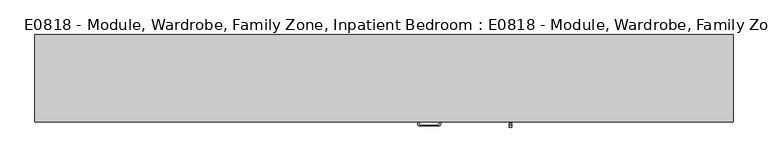
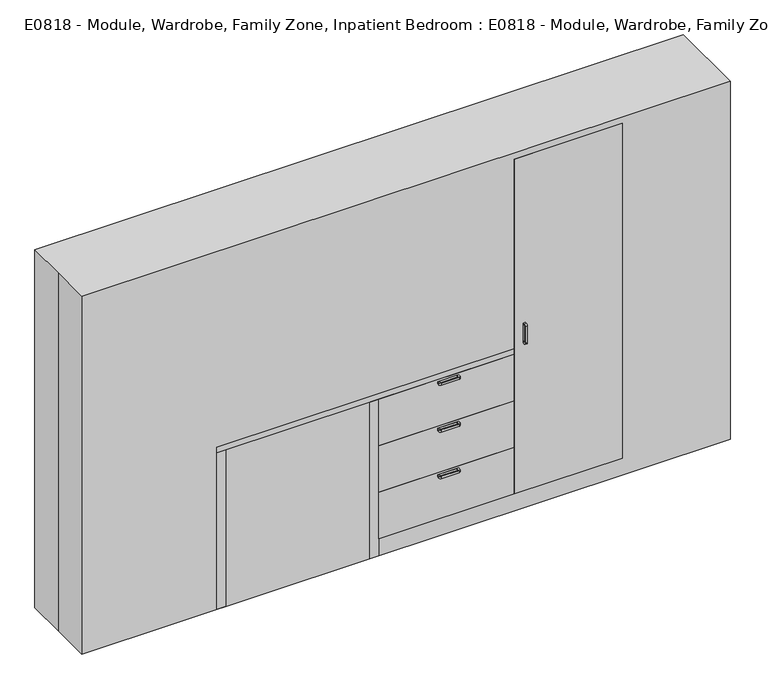
"""IFC4 building model written with IfcOpenShell, lengths in millimetres: proxy geometry, E0818 - Module, Wardrobe, Family Zone, Inpatient Bedroom : E0818 - Module, Wardrobe, Family Zone, Inpatient Bedroom."""

from ifc_helpers import new_model, si_unit, point, frame, frame_2d, origin, origin_with_axes, place, context, project, spatial, polyline, circle_curve, trimmed, segment, composite_curve, outline, extrude, source, transform, mapped, element, save


def e0818_module_wardrobe_family_zone_inpatient_bedroom_e0818_1e1a38e2(model_context):
    return source(origin(), model_context, "Body", "SweptSolid", [
        extrude(outline(composite_curve([segment(polyline([(-247.2941975, 1107.7357832), (-235.4978567, 1107.7357832), (-235.4978567, 989.2425662), (-247.2987514, 989.2425662)]), True, "CONTINUOUS"), segment(trimmed(circle_curve(frame_2d((-247.2987514, 998.2847417)), 9.0421756), [point((-247.2987514, 989.2425662))], [point((-256.3409269, 998.2847417))], False, "CARTESIAN"), True, "CONTINUOUS"), segment(polyline([(-256.3409269, 998.2847417), (-256.3409269, 1098.6890537)]), True, "CONTINUOUS"), segment(trimmed(circle_curve(frame_2d((-247.2941975, 1098.6890537)), 9.0467295), [point((-256.3409269, 1098.6890537))], [point((-247.2941975, 1107.7357832))], False, "CARTESIAN"), True, "CONTINUOUS")], self_intersect=False), holes=[composite_curve([segment(trimmed(circle_curve(frame_2d((-245.0473372, 1093.1778935)), 4.4901281), [point((-245.0473372, 1097.6680216))], [point((-249.5374653, 1093.1778935))], True, "CARTESIAN"), True, "CONTINUOUS"), segment(polyline([(-249.5374653, 1093.1778935), (-249.5374653, 1002.2738556)]), True, "CONTINUOUS"), segment(trimmed(circle_curve(frame_2d((-245.3639528, 1003.7240678)), 4.418294), [point((-249.5374653, 1002.2738556))], [point((-245.3639528, 999.3057739))], True, "CARTESIAN"), True, "CONTINUOUS"), segment(polyline([(-245.3639528, 999.3057739), (-236.3960853, 999.3057739), (-236.3960853, 1097.6680216), (-245.0473372, 1097.6680216)]), True, "CONTINUOUS")], self_intersect=False)]), frame((656.2541476, 0.0, 0.0), z_axis=(1.0, 0.0, 0.0), x_axis=(0.0, 1.0, 0.0)), (0.0, 0.0, 1.0), 12.2584805),
        extrude(outline(polyline([(1219.2141172, -228.6), (609.6141172, -228.6), (609.6141172, 186.8041189), (1219.2141172, 186.8041189), (1219.2141172, -228.6)])), frame((0.0, 0.0, 101.5287116), z_axis=(0.0, 0.0, 1.0), x_axis=(1.0, 0.0, 0.0)), (0.0, 0.0, 1.0), 1994.9672165),
        extrude(outline(composite_curve([segment(polyline([(177.6464018, -241.3553945), (177.6464018, -229.5590537), (296.1396188, -229.5590537), (296.1396188, -241.3599484)]), True, "CONTINUOUS"), segment(trimmed(circle_curve(frame_2d((287.0974432, -241.3599484)), 9.0421756), [point((296.1396188, -241.3599484))], [point((287.0974432, -250.4021239))], False, "CARTESIAN"), True, "CONTINUOUS"), segment(polyline([(287.0974432, -250.4021239), (186.6931313, -250.4021239)]), True, "CONTINUOUS"), segment(trimmed(circle_curve(frame_2d((186.6931313, -241.3553945)), 9.0467295), [point((186.6931313, -250.4021239))], [point((177.6464018, -241.3553945))], False, "CARTESIAN"), True, "CONTINUOUS")], self_intersect=False), holes=[composite_curve([segment(trimmed(circle_curve(frame_2d((192.3926076, -239.1085342)), 4.4901281), [point((187.9024795, -239.1085342))], [point((192.3926076, -243.5986623))], True, "CARTESIAN"), True, "CONTINUOUS"), segment(polyline([(192.3926076, -243.5986623), (283.2966455, -243.5986623)]), True, "CONTINUOUS"), segment(trimmed(circle_curve(frame_2d((281.8464333, -239.4251498)), 4.418294), [point((283.2966455, -243.5986623))], [point((286.2647272, -239.4251498))], True, "CARTESIAN"), True, "CONTINUOUS"), segment(polyline([(286.2647272, -239.4251498), (286.2647272, -230.4572823), (187.9024795, -230.4572823), (187.9024795, -239.1085342)]), True, "CONTINUOUS")], self_intersect=False)]), frame((0.0, 0.0, 910.0040116), z_axis=(0.0, 0.0, 1.0), x_axis=(1.0, 0.0, 0.0)), (0.0, 0.0, 1.0), 12.4081513),
        extrude(outline(composite_curve([segment(polyline([(177.6464018, -241.3553945), (177.6464018, -229.5590537), (296.1396188, -229.5590537), (296.1396188, -241.3599484)]), True, "CONTINUOUS"), segment(trimmed(circle_curve(frame_2d((287.0974432, -241.3599484)), 9.0421756), [point((296.1396188, -241.3599484))], [point((287.0974432, -250.4021239))], False, "CARTESIAN"), True, "CONTINUOUS"), segment(polyline([(287.0974432, -250.4021239), (186.6931313, -250.4021239)]), True, "CONTINUOUS"), segment(trimmed(circle_curve(frame_2d((186.6931313, -241.3553945)), 9.0467295), [point((186.6931313, -250.4021239))], [point((177.6464018, -241.3553945))], False, "CARTESIAN"), True, "CONTINUOUS")], self_intersect=False), holes=[composite_curve([segment(trimmed(circle_curve(frame_2d((192.3926076, -239.1085342)), 4.4901281), [point((187.9024795, -239.1085342))], [point((192.3926076, -243.5986623))], True, "CARTESIAN"), True, "CONTINUOUS"), segment(polyline([(192.3926076, -243.5986623), (283.2966455, -243.5986623)]), True, "CONTINUOUS"), segment(trimmed(circle_curve(frame_2d((281.8464333, -239.4251498)), 4.418294), [point((283.2966455, -243.5986623))], [point((286.2647272, -239.4251498))], True, "CARTESIAN"), True, "CONTINUOUS"), segment(polyline([(286.2647272, -239.4251498), (286.2647272, -230.4572823), (187.9024795, -230.4572823), (187.9024795, -239.1085342)]), True, "CONTINUOUS")], self_intersect=False)]), frame((0.0, 0.0, 630.2566007), z_axis=(0.0, 0.0, 1.0), x_axis=(1.0, 0.0, 0.0)), (0.0, 0.0, 1.0), 13.536165),
        extrude(outline(composite_curve([segment(polyline([(177.6464018, -241.3553945), (177.6464018, -229.5590537), (296.1396188, -229.5590537), (296.1396188, -241.3599484)]), True, "CONTINUOUS"), segment(trimmed(circle_curve(frame_2d((287.0974432, -241.3599484)), 9.0421756), [point((296.1396188, -241.3599484))], [point((287.0974432, -250.4021239))], False, "CARTESIAN"), True, "CONTINUOUS"), segment(polyline([(287.0974432, -250.4021239), (186.6931313, -250.4021239)]), True, "CONTINUOUS"), segment(trimmed(circle_curve(frame_2d((186.6931313, -241.3553945)), 9.0467295), [point((186.6931313, -250.4021239))], [point((177.6464018, -241.3553945))], False, "CARTESIAN"), True, "CONTINUOUS")], self_intersect=False), holes=[composite_curve([segment(trimmed(circle_curve(frame_2d((192.3926076, -239.1085342)), 4.4901281), [point((187.9024795, -239.1085342))], [point((192.3926076, -243.5986623))], True, "CARTESIAN"), True, "CONTINUOUS"), segment(polyline([(192.3926076, -243.5986623), (283.2966455, -243.5986623)]), True, "CONTINUOUS"), segment(trimmed(circle_curve(frame_2d((281.8464333, -239.4251498)), 4.418294), [point((283.2966455, -243.5986623))], [point((286.2647272, -239.4251498))], True, "CARTESIAN"), True, "CONTINUOUS"), segment(polyline([(286.2647272, -239.4251498), (286.2647272, -230.4572823), (187.9024795, -230.4572823), (187.9024795, -239.1085342)]), True, "CONTINUOUS")], self_intersect=False)]), frame((0.0, 0.0, 353.9564428), z_axis=(0.0, 0.0, 1.0), x_axis=(1.0, 0.0, 0.0)), (0.0, 0.0, 1.0), 12.2584805),
        extrude(outline(polyline([(609.6141172, -228.6), (-152.3858828, -228.6), (-152.3858828, 186.8041189), (609.6141172, 186.8041189), (609.6141172, -228.6)])), frame((0.0, 0.0, 656.1191064), z_axis=(0.0, 0.0, 1.0), x_axis=(1.0, 0.0, 0.0)), (0.0, 0.0, 1.0), 277.2951974),
        extrude(outline(polyline([(609.6141172, -228.6), (-152.3858828, -228.6), (-152.3858828, 186.8041189), (609.6141172, 186.8041189), (609.6141172, -228.6)])), frame((0.0, 0.0, 378.823909), z_axis=(0.0, 0.0, 1.0), x_axis=(1.0, 0.0, 0.0)), (0.0, 0.0, 1.0), 277.2951974),
        extrude(outline(polyline([(609.6141172, -228.6), (-152.3858828, -228.6), (-152.3858828, 186.8041189), (609.6141172, 186.8041189), (609.6141172, -228.6)])), frame((0.0, 0.0, 101.5287116), z_axis=(0.0, 0.0, 1.0), x_axis=(1.0, 0.0, 0.0)), (0.0, 0.0, 1.0), 277.2951974),
        extrude(outline(polyline([(1219.2141172, 186.8041189), (1219.2141172, -217.2302914), (-152.3858828, -217.2302914), (-152.3858828, 186.8041189), (1219.2141172, 186.8041189)])), origin_with_axes(), (0.0, 0.0, 1.0), 101.5287116),
        extrude(outline(polyline([(-152.3858828, -228.6), (-203.1858828, -228.6), (-203.1858828, 186.8041189), (-152.3858828, 186.8041189), (-152.3858828, -228.6)])), origin_with_axes(), (0.0, 0.0, 1.0), 933.4143038),
        extrude(outline(polyline([(609.6141172, 186.8041189), (609.6141172, -228.6), (-1066.8, -228.6), (-1066.8, 186.8041189), (609.6141172, 186.8041189)])), frame((0.0, 0.0, 933.4143038), z_axis=(0.0, 0.0, 1.0), x_axis=(1.0, 0.0, 0.0)), (0.0, 0.0, 1.0), 31.7856962),
        extrude(outline(polyline([(-1016.0, -228.6), (-1066.8, -228.6), (-1066.8, 186.8041189), (-1016.0, 186.8041189), (-1016.0, -228.6)])), origin_with_axes(), (0.0, 0.0, 1.0), 933.4143038),
        extrude(outline(polyline([(1219.2141172, 228.6), (1219.2141172, 186.8041189), (609.6141172, 186.8041189), (609.6141172, 228.6), (1219.2141172, 228.6)])), origin_with_axes(), (0.0, 0.0, 1.0), 2096.4959281),
        extrude(outline(polyline([(609.6141172, 228.6), (609.6141172, 186.8041189), (-152.3858828, 186.8041189), (-152.3858828, 228.6), (609.6141172, 228.6)])), origin_with_axes(), (0.0, 0.0, 1.0), 2096.4959281),
        extrude(outline(polyline([(-152.3858828, 228.6), (-152.3858828, 186.8041189), (-1066.8, 186.8041189), (-1066.8, 228.6), (-152.3858828, 228.6)])), origin_with_axes(), (0.0, 0.0, 1.0), 2096.4959281),
        extrude(outline(polyline([(-1828.8, 228.6), (1828.8, 228.6), (1828.8, -228.6), (-1828.8, -228.6), (-1828.8, 0.0), (-1828.8, 228.6)])), origin_with_axes(), (0.0, 0.0, 1.0), 2133.6),
    ])


if __name__ == "__main__":
    model = new_model("IFC4")
    model_context = context("Model", 3, world=origin())
    ifc_project = project(units=[si_unit("LENGTHUNIT", "METRE", prefix="MILLI")], contexts=[model_context])
    site = spatial("IfcSite", under=ifc_project)
    building = spatial("IfcBuilding", under=site)
    placement = place(None, origin())
    e0818_module_wardrobe_family_zone_inpatient_bedroom_e0818_shape = e0818_module_wardrobe_family_zone_inpatient_bedroom_e0818_1e1a38e2(model_context)
    element("IfcBuildingElementProxy", 1, Name="E0818 - Module, Wardrobe, Family Zone, Inpatient Bedroom : E0818 - Module, Wardrobe, Family Zone, Inpatient Bedroom", ObjectType="E0818 - Module, Wardrobe, Family Zone, Inpatient Bedroom : E0818 - Module, Wardrobe, Family Zone, Inpatient Bedroom", at=placement, inside=building, context=model_context, shape_type="MappedRepresentation", body=[
        mapped(e0818_module_wardrobe_family_zone_inpatient_bedroom_e0818_shape, transform((0.0, 0.0, 0.0), x_axis=(1.0, 0.0, 0.0), y_axis=(0.0, 1.0, 0.0), z_axis=(0.0, 0.0, 1.0))),
    ])
    save(model, "model.ifc")
